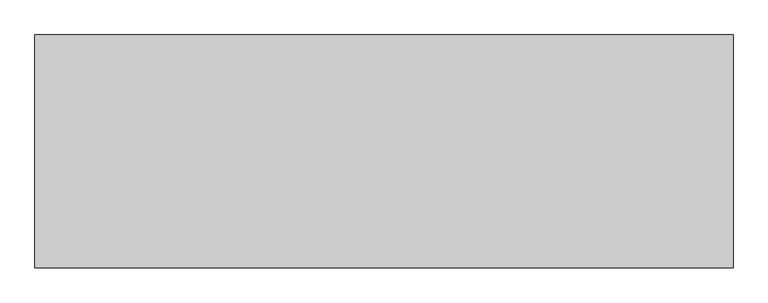
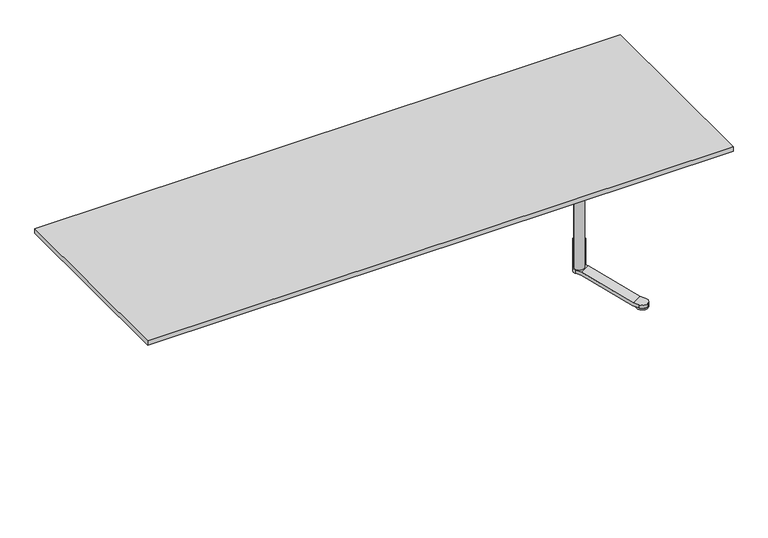
"""IFC4 building model written with IfcOpenShell, lengths in millimetres: furniture geometry."""

import ifcopenshell
import ifcopenshell.guid

model = None  # the IFC model being written
_history = None  # IfcOwnerHistory: only IFC2X3 demands one
_inside = {}  # id of a spatial element -> (the spatial element, [elements in it])
_under = {}  # id of a project, library or spatial element -> (it, [spatial elements below it])
_declared = {}  # id of a project -> (the project, [libraries it declares])
_typed = {}  # id of a type object -> (the type object, [elements of that type])
_made_of = {}  # id of a material, layer set ... -> (it, [elements and type objects made of it])


def new_model(schema):
    """Start an empty IFC model of exactly this schema.

    Asked for "IFC4X3", IfcOpenShell would pick the latest addendum, in which some entities
    have other attributes; the version numbers below select the first issue.
    IFC2X3 requires an IfcOwnerHistory on every rooted entity: one is made here for all.
    """
    global model, _history
    if schema == "IFC4X3":
        model = ifcopenshell.file(schema_version=(4, 3, 0, 0))
    else:
        model = ifcopenshell.file(schema=schema)
    _inside.clear()
    _under.clear()
    _declared.clear()
    _typed.clear()
    _made_of.clear()
    _history = None
    if model.schema == "IFC2X3":
        org = make("IfcOrganization", Name="unknown")
        user = make(
            "IfcPersonAndOrganization",
            ThePerson=make("IfcPerson", FamilyName="unknown"),
            TheOrganization=org,
        )
        app = make(
            "IfcApplication",
            ApplicationDeveloper=org,
            Version="unknown",
            ApplicationFullName="unknown",
            ApplicationIdentifier="unknown",
        )
        _history = make(
            "IfcOwnerHistory",
            OwningUser=user,
            OwningApplication=app,
            ChangeAction="ADDED",
            CreationDate=0,
        )
    return model


def make(cls, **values):
    """One entity of the class cls with the attributes given. An attribute that is None is left unset."""
    return model.create_entity(
        cls, **{name: value for name, value in values.items() if value is not None}
    )


def rooted(cls, **values):
    """An entity with a GlobalId (a new one), such as an element, a storey or a relation."""
    return make(cls, GlobalId=ifcopenshell.guid.new(), OwnerHistory=_history, **values)


def si_unit(unit_type, name, prefix=None):
    """IfcSIUnit, for example si_unit("LENGTHUNIT", "METRE", prefix="MILLI")."""
    return make("IfcSIUnit", UnitType=unit_type, Prefix=prefix, Name=name)


def assignment(units):
    """IfcUnitAssignment: the units of a project."""
    return None if units is None else make("IfcUnitAssignment", Units=units)


def point(xyz):
    """IfcCartesianPoint."""
    return None if xyz is None else make("IfcCartesianPoint", Coordinates=xyz)


def direction(xyz):
    """IfcDirection."""
    return None if xyz is None else make("IfcDirection", DirectionRatios=xyz)


def frame(location, z_axis=None, x_axis=None):
    """IfcAxis2Placement3D, a coordinate frame: its origin and axes. An axis left out is left unset."""
    return make(
        "IfcAxis2Placement3D",
        Location=point(location),
        Axis=direction(z_axis),
        RefDirection=direction(x_axis),
    )


def frame_2d(location, x_axis=None):
    """IfcAxis2Placement2D, a coordinate frame in the plane: its origin and x axis."""
    return make(
        "IfcAxis2Placement2D", Location=point(location), RefDirection=direction(x_axis)
    )


def origin():
    """The frame at (0, 0, 0) with its axes left unset."""
    return frame((0.0, 0.0, 0.0))


def origin_with_axes():
    """The frame at (0, 0, 0) with the z axis (0, 0, 1) and the x axis (1, 0, 0) written out."""
    return frame((0.0, 0.0, 0.0), z_axis=(0.0, 0.0, 1.0), x_axis=(1.0, 0.0, 0.0))


def place(relative_to, where):
    """IfcLocalPlacement: puts the frame where relative to a parent placement (None: the world)."""
    return make(
        "IfcLocalPlacement", PlacementRelTo=relative_to, RelativePlacement=where
    )


def context(
    kind, dimensions, precision=None, world=None, true_north=None, identifier=None
):
    """IfcGeometricRepresentationContext, for example the 3D "Model" context."""
    return make(
        "IfcGeometricRepresentationContext",
        ContextIdentifier=identifier,
        ContextType=kind,
        CoordinateSpaceDimension=dimensions,
        Precision=precision,
        WorldCoordinateSystem=world,
        TrueNorth=true_north,
    )


def project(units=None, contexts=None):
    """IfcProject with its units and contexts."""
    return rooted(
        "IfcProject",
        Name="project",
        RepresentationContexts=contexts,
        UnitsInContext=assignment(units),
    )


def spatial(cls, under=None, at=None, **own):
    """A site, building, storey or space (cls), placed at a placement, below another one or the project."""
    s = rooted(cls, ObjectPlacement=at, **own)
    if under is not None:
        _under.setdefault(under.id(), (under, []))[1].append(s)
    return s


def polyline(points):
    """IfcPolyline through the points."""
    return make("IfcPolyline", Points=[point(p) for p in points])


def circle_curve(where, radius):
    """IfcCircle in the frame where."""
    return make("IfcCircle", Position=where, Radius=radius)


def trimmed(basis, trim1, trim2, sense, master):
    """IfcTrimmedCurve: the piece of a basis curve between two trims."""
    return make(
        "IfcTrimmedCurve",
        BasisCurve=basis,
        Trim1=trim1,
        Trim2=trim2,
        SenseAgreement=sense,
        MasterRepresentation=master,
    )


def segment(curve, same_sense, transition):
    """IfcCompositeCurveSegment."""
    return make(
        "IfcCompositeCurveSegment",
        Transition=transition,
        SameSense=same_sense,
        ParentCurve=curve,
    )


def composite_curve(segments, self_intersect=None):
    """IfcCompositeCurve: segments joined end to end."""
    return make("IfcCompositeCurve", Segments=segments, SelfIntersect=self_intersect)


def outline(outer, holes=None, kind="AREA"):
    """IfcArbitraryClosedProfileDef: a profile drawn as a closed curve; with holes, ...WithVoids."""
    if holes is None:
        return make("IfcArbitraryClosedProfileDef", ProfileType=kind, OuterCurve=outer)
    return make(
        "IfcArbitraryProfileDefWithVoids",
        ProfileType=kind,
        OuterCurve=outer,
        InnerCurves=holes,
    )


def extrude(swept, where, along, depth):
    """IfcExtrudedAreaSolid: the profile swept, set in the frame where, extruded along a direction by depth."""
    return make(
        "IfcExtrudedAreaSolid",
        SweptArea=swept,
        Position=where,
        ExtrudedDirection=direction(along),
        Depth=depth,
    )


def shape(context_of_items, identifier, shape_type, items):
    """IfcShapeRepresentation: the items that make up one representation, for example the "Body"."""
    return make(
        "IfcShapeRepresentation",
        ContextOfItems=context_of_items,
        RepresentationIdentifier=identifier,
        RepresentationType=shape_type,
        Items=items,
    )


def source(mapping_origin, context_of_items, identifier, shape_type, items):
    """IfcRepresentationMap: a shape defined once, which mapped items show again and again."""
    return make(
        "IfcRepresentationMap",
        MappingOrigin=mapping_origin,
        MappedRepresentation=shape(context_of_items, identifier, shape_type, items),
    )


def transform(
    local_origin,
    x_axis=None,
    y_axis=None,
    z_axis=None,
    scale=None,
    scale2=None,
    scale3=None,
    uniform=True,
):
    """IfcCartesianTransformationOperator3D, or its non-uniform kind. x_axis, y_axis, z_axis: its Axis1, 2, 3."""
    if uniform:
        return make(
            "IfcCartesianTransformationOperator3D",
            Axis1=direction(x_axis),
            Axis2=direction(y_axis),
            LocalOrigin=point(local_origin),
            Scale=scale,
            Axis3=direction(z_axis),
        )
    return make(
        "IfcCartesianTransformationOperator3DnonUniform",
        Axis1=direction(x_axis),
        Axis2=direction(y_axis),
        LocalOrigin=point(local_origin),
        Scale=scale,
        Axis3=direction(z_axis),
        Scale2=scale2,
        Scale3=scale3,
    )


def mapped(mapping_source, mapping_target):
    """IfcMappedItem: shows the shape of a source again, moved by a transform."""
    return make(
        "IfcMappedItem", MappingSource=mapping_source, MappingTarget=mapping_target
    )


def made_of(thing, what):
    """Note that an element or type object is made of a material, layer set ...; save() writes the relation."""
    if what is not None:
        _made_of.setdefault(what.id(), (what, []))[1].append(thing)
    return thing


def element(
    cls,
    number,
    at=None,
    inside=None,
    cuts=None,
    type_object=None,
    material=None,
    context=None,
    identifier="Body",
    shape_type=None,
    held_by="IfcProductDefinitionShape",
    body=None,
    shapes=None,
    **own,
):
    """One element of the class cls, such as IfcWall. Its Tag is "e" and its number.

    at: its placement. inside: the storey or other place that contains it. cuts: it is an
    opening in that element (IfcRelVoidsElement). A single representation is given by context,
    identifier, shape_type and body (its items); several are given by shapes. held_by: the class
    of the entity that holds the representations. save() writes the other relations.
    """
    e = rooted(cls, Tag="e%d" % number, ObjectPlacement=at, **own)
    if body is not None:
        shapes = [shape(context, identifier, shape_type, body)]
    if shapes is not None:
        e.Representation = make(held_by, Representations=shapes)
    if inside is not None:
        _inside.setdefault(inside.id(), (inside, []))[1].append(e)
    if cuts is not None:
        rooted(
            "IfcRelVoidsElement", RelatingBuildingElement=cuts, RelatedOpeningElement=e
        )
    if type_object is not None:
        _typed.setdefault(type_object.id(), (type_object, []))[1].append(e)
    return made_of(e, material)


def aggregate(whole, parts):
    """IfcRelAggregates: a whole, such as a stair, and the parts it consists of."""
    return rooted("IfcRelAggregates", RelatingObject=whole, RelatedObjects=parts)


def save(model, path):
    """Write the relations noted so far, then the file.

    IfcRelAggregates (storeys below a building ...), IfcRelContainedInSpatialStructure (elements
    in a storey), IfcRelDefinesByType, IfcRelAssociatesMaterial and IfcRelDeclares: one each for
    every whole, place, type object, material and project.
    """
    for whole, parts in _under.values():
        aggregate(whole, parts)
    for where, things in _inside.values():
        rooted(
            "IfcRelContainedInSpatialStructure",
            RelatedElements=things,
            RelatingStructure=where,
        )
    for kind, things in _typed.values():
        rooted("IfcRelDefinesByType", RelatedObjects=things, RelatingType=kind)
    for what, things in _made_of.values():
        rooted("IfcRelAssociatesMaterial", RelatedObjects=things, RelatingMaterial=what)
    for by, libraries in _declared.values():
        rooted("IfcRelDeclares", RelatingContext=by, RelatedDefinitions=libraries)
    model.write(path)


def plane_surface(at):
    """IfcPlane: the flat surface through the origin of the frame at, square to its z axis."""
    return make("IfcPlane", Position=at)


def cylinder_surface(at, radius):
    """IfcCylindricalSurface: all points at the distance radius from the z axis of the frame at."""
    return make("IfcCylindricalSurface", Position=at, Radius=radius)


def advanced_brep(points, edges, surfaces, faces):
    """IfcAdvancedBrep: a solid bounded by faces that lie on surfaces and meet in shared edges.

    An edge is (start, end): straight between two places in points (the first is 0);
    or (start, end, curve); or (start, end, curve, False) where it runs against its curve.
    A face is (place in surfaces, loops), or (place, loops, False) where it looks against
    its surface's normal. A loop lists edges by number (the first is 1), with a minus sign
    where the edge is run from its end to its start. The first loop is the outer one.
    """
    corners = [point(p) for p in points]
    vertices = [make("IfcVertexPoint", VertexGeometry=c) for c in corners]
    made = []
    for start, end, *more in edges:
        made.append(
            make(
                "IfcEdgeCurve",
                EdgeStart=vertices[start],
                EdgeEnd=vertices[end],
                EdgeGeometry=more[0] if more else make("IfcPolyline", Points=[corners[start], corners[end]]),
                SameSense=more[1] if len(more) > 1 else True,
            )
        )
    hull = []
    for where, loops, *sense in faces:
        bounds = []
        for j, loop in enumerate(loops):
            ring = [make("IfcOrientedEdge", EdgeElement=made[abs(k) - 1], Orientation=k > 0) for k in loop]
            bounds.append(
                make(
                    "IfcFaceOuterBound" if j == 0 else "IfcFaceBound",
                    Bound=make("IfcEdgeLoop", EdgeList=ring),
                    Orientation=True,
                )
            )
        hull.append(make("IfcAdvancedFace", Bounds=bounds, FaceSurface=surfaces[where], SameSense=sense[0] if sense else True))
    return make("IfcAdvancedBrep", Outer=make("IfcClosedShell", CfsFaces=hull))


def furniture_35de2a3b(model_context):
    return source(origin(), model_context, "Body", "SolidModel", [
        advanced_brep(
        [(1404.9373899, -284.9619717, 10.0), (1344.3156116, -319.9619717, 10.0), (1185.8156116, -45.4319187, 98.7542004), (1246.4373899, -10.4319187, 98.7542004), (1406.3108891, -287.3409421, 30.0), (1247.8108891, -12.8108891, 118.7542004), (1187.1891109, -47.8108891, 118.7542004), (1345.6891109, -322.3409421, 30.0), (1240.4145188, 0.0, 98.7542004), (1240.4145188, 0.0, 118.7542004), (1423.8108891, -317.6518313, 30.0), (1423.8108891, -317.6518313, 10.0), (1411.0, -365.4627204, 10.0), (1363.1891109, -352.6518313, 10.0), (1363.1891109, -352.6518313, 30.0), (1169.6891109, -17.5, 118.7542004), (1169.6891109, -17.5, 98.7542004), (1411.0, -365.4627204, 30.0), (1169.6891109, 17.5, 98.7542004), (1185.8156116, 45.4319187, 98.7542004), (1246.4373899, 10.4319187, 98.7542004), (1247.8108891, 12.8108891, 118.7542004), (1187.1891109, 47.8108891, 118.7542004), (1169.6891109, 17.5, 118.7542004), (1344.3156116, 319.9619717, 10.0), (1404.9373899, 284.9619717, 10.0), (1345.6891109, 322.3409421, 30.0), (1406.3108891, 287.3409421, 30.0), (1363.1891109, 352.6518313, 30.0), (1363.1891109, 352.6518313, 10.0), (1411.0, 365.4627204, 10.0), (1423.8108891, 317.6518313, 10.0), (1423.8108891, 317.6518313, 30.0), (1411.0, 365.4627204, 30.0)],
        [
            (0, 1),
            (1, 2),
            (2, 3),
            (3, 0),
            (4, 5),
            (5, 6),
            (6, 7),
            (7, 4),
            (3, 8),
            (8, 9),
            (9, 5),
            (4, 10),
            (10, 11),
            (11, 0),
            (11, 12, circle_curve(frame((1393.5, -335.1518313, 10.0), z_axis=(0.0, 0.0, -1.0), x_axis=(-0.49999999999999245, 0.866025403784443, 0.0)), 35.0)),
            (12, 13, circle_curve(frame((1393.5, -335.1518313, 10.0), z_axis=(0.0, 0.0, -1.0), x_axis=(-0.49999999999999245, 0.866025403784443, 0.0)), 35.0)),
            (13, 1),
            (13, 14),
            (14, 7),
            (6, 15),
            (15, 16),
            (16, 2),
            (14, 17, circle_curve(frame((1393.5, -335.1518313, 30.0), z_axis=(0.0, 0.0, 1.0), x_axis=(-0.49999999999999245, 0.866025403784443, 0.0)), 35.0)),
            (17, 10, circle_curve(frame((1393.5, -335.1518313, 30.0), z_axis=(0.0, 0.0, 1.0), x_axis=(-0.49999999999999245, 0.866025403784443, 0.0)), 35.0)),
            (16, 18, circle_curve(frame((1200.0, 0.0, 98.7542004), z_axis=(0.0, 0.0, -1.0), x_axis=(0.499999999999998, -0.8660254037844398, 0.0)), 35.0)),
            (18, 19),
            (19, 20),
            (20, 8),
            (9, 21),
            (21, 22),
            (22, 23),
            (23, 15, circle_curve(frame((1200.0, 0.0, 118.7542004), z_axis=(0.0, 0.0, 1.0), x_axis=(0.499999999999998, -0.8660254037844398, 0.0)), 35.0)),
            (12, 17),
            (24, 25),
            (25, 20),
            (19, 24),
            (26, 22),
            (21, 27),
            (27, 26),
            (18, 23),
            (26, 28),
            (28, 29),
            (29, 24),
            (29, 30, circle_curve(frame((1393.5, 335.1518313, 10.0), z_axis=(0.0, 0.0, -1.0), x_axis=(-0.5000000000000067, -0.8660254037844348, 0.0)), 35.0)),
            (30, 31, circle_curve(frame((1393.5, 335.1518313, 10.0), z_axis=(0.0, 0.0, -1.0), x_axis=(-0.5000000000000067, -0.8660254037844348, 0.0)), 35.0)),
            (31, 25),
            (31, 32),
            (32, 27),
            (32, 33, circle_curve(frame((1393.5, 335.1518313, 30.0), z_axis=(0.0, 0.0, 1.0), x_axis=(-0.5000000000000067, -0.8660254037844348, 0.0)), 35.0)),
            (33, 28, circle_curve(frame((1393.5, 335.1518313, 30.0), z_axis=(0.0, 0.0, 1.0), x_axis=(-0.5000000000000067, -0.8660254037844348, 0.0)), 35.0)),
            (30, 33),
        ],
        [
            plane_surface(frame((1344.3156116, -319.9619717, 10.0), z_axis=(-0.13480679420202513, 0.23349221676335374, -0.9629685939572007), x_axis=(-0.4814842969785931, 0.833955265413522, 0.26961358840401967))),
            plane_surface(frame((1406.3108891, -287.3409421, 30.0), z_axis=(0.13480679420202557, -0.2334922167633536, 0.9629685939572008), x_axis=(-0.481484296978593, 0.833955265413522, 0.2696135884040197))),
            plane_surface(frame((1423.8108891, -317.6518313, 10.0), z_axis=(0.8660254037844429, 0.49999999999999256, 0.0), x_axis=(-0.49999999999999256, 0.8660254037844429, 0.0))),
            plane_surface(frame((1363.1891109, -352.6518313, 10.0), z_axis=(0.0, 0.0, -1.0), x_axis=(-0.4999999999999921, 0.8660254037844433, 0.0))),
            plane_surface(frame((1363.1891109, -352.6518313, 30.0), z_axis=(-0.8660254037844428, -0.49999999999999295, 0.0), x_axis=(-0.49999999999999295, 0.8660254037844428, 0.0))),
            plane_surface(frame((1423.8108891, -317.6518313, 30.0), z_axis=(0.0, 0.0, 1.0), x_axis=(-0.49999999999999256, 0.8660254037844429, 0.0))),
            plane_surface(frame((1185.8156116, -45.4319187, 98.7542004), z_axis=(0.0, 0.0, -1.0), x_axis=(-0.4999999999999923, 0.8660254037844431, 0.0))),
            plane_surface(frame((1247.8108891, -12.8108891, 118.7542004), z_axis=(0.0, 0.0, 1.0), x_axis=(-0.49999999999999234, 0.8660254037844431, 0.0))),
            cylinder_surface(frame((1393.5, -335.1518313, 10.0), z_axis=(0.0, 0.0, 1.0), x_axis=(-0.49999999999999245, 0.866025403784443, 0.0)), 35.0),
            plane_surface(frame((1404.9373899, 284.9619717, 10.0), z_axis=(-0.13480679420199432, -0.23349221676337148, -0.9629685939572008), x_axis=(-0.48148429697860684, -0.8339552654135142, 0.2696135884040196))),
            plane_surface(frame((1345.6891109, 322.3409421, 30.0), z_axis=(0.13480679420199398, 0.23349221676337176, 0.9629685939572007), x_axis=(-0.4814842969786067, -0.8339552654135141, 0.26961358840401967))),
            plane_surface(frame((1363.1891109, 352.6518313, 10.0), z_axis=(-0.8660254037844345, 0.5000000000000074, 0.0), x_axis=(-0.5000000000000074, -0.8660254037844345, 0.0))),
            plane_surface(frame((1423.8108891, 317.6518313, 10.0), z_axis=(0.0, 0.0, -1.0), x_axis=(-0.500000000000008, -0.866025403784434, 0.0))),
            plane_surface(frame((1423.8108891, 317.6518313, 30.0), z_axis=(0.8660254037844347, -0.5000000000000069, 0.0), x_axis=(-0.5000000000000069, -0.8660254037844347, 0.0))),
            plane_surface(frame((1363.1891109, 352.6518313, 30.0), z_axis=(0.0, 0.0, 1.0), x_axis=(-0.5000000000000078, -0.8660254037844342, 0.0))),
            cylinder_surface(frame((1393.5, 335.1518313, 10.0), z_axis=(0.0, 0.0, 1.0), x_axis=(-0.5000000000000067, -0.8660254037844348, 0.0)), 35.0),
            cylinder_surface(frame((1200.0, 0.0, 98.7542004), z_axis=(0.0, 0.0, 1.0), x_axis=(0.499999999999998, -0.8660254037844398, 0.0)), 35.0),
        ],
        [
            (0, [[1, 2, 3, 4]]),
            (1, [[5, 6, 7, 8]]),
            (2, [[-4, 9, 10, 11, -5, 12, 13, 14]]),
            (3, [[-1, -14, 15, 16, 17]]),
            (4, [[-2, -17, 18, 19, -7, 20, 21, 22]]),
            (5, [[-12, -8, -19, 23, 24]]),
            (6, [[-22, 25, 26, 27, 28, -9, -3]]),
            (7, [[-20, -6, -11, 29, 30, 31, 32]]),
            (8, [[33, -23, -18, -16]]),
            (8, [[-33, -15, -13, -24]]),
            (9, [[34, 35, -27, 36]]),
            (10, [[37, -30, 38, 39]]),
            (11, [[-36, -26, 40, -31, -37, 41, 42, 43]]),
            (12, [[-34, -43, 44, 45, 46]]),
            (13, [[-35, -46, 47, 48, -38, -29, -10, -28]]),
            (14, [[-41, -39, -48, 49, 50]]),
            (15, [[51, -49, -47, -45]]),
            (15, [[-51, -44, -42, -50]]),
            (16, [[-32, -40, -25, -21]]),
        ],
    ),
        extrude(outline(composite_curve([segment(trimmed(circle_curve(frame_2d((1200.0, 0.0)), 30.0), [point((1170.0, 0.0))], [point((1230.0, 0.0))], False, "CARTESIAN"), True, "CONTINUOUS"), segment(trimmed(circle_curve(frame_2d((1200.0, 0.0)), 30.0), [point((1230.0, 0.0))], [point((1170.0, 0.0))], False, "CARTESIAN"), True, "CONTINUOUS")], self_intersect=False)), frame((0.0, 0.0, 118.7542004), z_axis=(0.0, 0.0, 1.0), x_axis=(1.0, 0.0, 0.0)), (0.0, 0.0, 1.0), 805.2457996),
        extrude(outline(composite_curve([segment(trimmed(circle_curve(frame_2d((1393.5, -335.1518313)), 35.0), [point((1376.0, -304.8409421))], [point((1411.0, -365.4627204))], False, "CARTESIAN"), True, "CONTINUOUS"), segment(trimmed(circle_curve(frame_2d((1393.5, -335.1518313)), 35.0), [point((1411.0, -365.4627204))], [point((1376.0, -304.8409421))], False, "CARTESIAN"), True, "CONTINUOUS")], self_intersect=False)), origin_with_axes(), (0.0, 0.0, 1.0), 10.0),
        extrude(outline(polyline([(1800.0, 600.0), (1800.0, -600.0), (-1800.0, -600.0), (-1800.0, 600.0), (1800.0, 600.0)])), frame((0.0, 0.0, 1024.0), z_axis=(0.0, 0.0, 1.0), x_axis=(1.0, 0.0, 0.0)), (0.0, 0.0, 1.0), 30.0),
        extrude(outline(polyline([(-30.0, 10.0), (-30.0, -10.0), (-1170.0, -10.0), (-1170.0, 10.0), (-30.0, 10.0)])), frame((0.0, 0.0, 854.0), z_axis=(0.0, 0.0, 1.0), x_axis=(1.0, 0.0, 0.0)), (0.0, 0.0, 1.0), 50.0),
        extrude(outline(polyline([(1170.0, 10.0), (1170.0, -10.0), (30.0, -10.0), (30.0, 10.0), (1170.0, 10.0)])), frame((0.0, 0.0, 854.0), z_axis=(0.0, 0.0, 1.0), x_axis=(1.0, 0.0, 0.0)), (0.0, 0.0, 1.0), 50.0),
    ])


if __name__ == "__main__":
    model = new_model("IFC4")
    model_context = context("Model", 3, world=origin())
    ifc_project = project(units=[si_unit("LENGTHUNIT", "METRE", prefix="MILLI")], contexts=[model_context])
    site = spatial("IfcSite", under=ifc_project)
    building = spatial("IfcBuilding", under=site)
    placement = place(None, origin())
    furniture_shape = furniture_35de2a3b(model_context)
    element("IfcFurniture", 1, at=placement, inside=building, context=model_context, shape_type="MappedRepresentation", body=[
        mapped(furniture_shape, transform((0.0, 0.0, 0.0), x_axis=(1.0, 0.0, 0.0), y_axis=(0.0, 1.0, 0.0), z_axis=(0.0, 0.0, 1.0))),
    ])
    save(model, "model.ifc")
